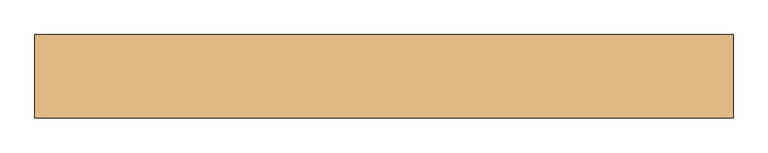
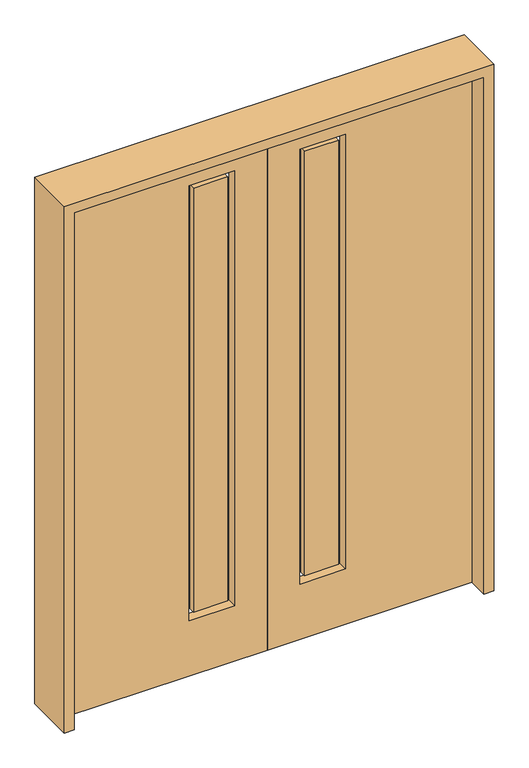
"""IFC4 building model written with IfcOpenShell, lengths in millimetres: door geometry."""

from ifc_helpers import new_model, si_unit, frame, origin, place, context, project, spatial, polyline, outline, extrude, source, transform, mapped, element, save


def door_2ea61fe3(model_context):
    return source(origin(), model_context, "Body", "SweptSolid", [
        extrude(outline(polyline([(-323.85, -12.7039749), (-323.85, 14.2875), (-171.45, 14.2875), (-171.45, -12.7039749), (-323.85, -12.7039749)])), frame((0.0, 0.0, 285.75), z_axis=(0.0, 0.0, 1.0), x_axis=(1.0, 0.0, 0.0)), (0.0, 0.0, 1.0), 2000.25),
        extrude(outline(polyline([(2438.4, 0.0), (2438.4, -914.4), (0.0, -914.4), (0.0, 0.0), (2438.4, 0.0)]), holes=[polyline([(2311.4, -349.25), (2311.4, -146.05), (260.35, -146.05), (260.35, -349.25), (2311.4, -349.25)])]), frame((0.0, -22.225, 0.0), z_axis=(0.0, 1.0, 0.0), x_axis=(0.0, 0.0, 1.0)), (0.0, 0.0, 1.0), 44.45),
        extrude(outline(polyline([(323.85, -12.7039749), (171.45, -12.7039749), (171.45, 14.2875), (323.85, 14.2875), (323.85, -12.7039749)])), frame((0.0, 0.0, 285.75), z_axis=(0.0, 0.0, 1.0), x_axis=(1.0, 0.0, 0.0)), (0.0, 0.0, 1.0), 2000.25),
        extrude(outline(polyline([(2438.4, 0.0), (0.0, 0.0), (0.0, 914.4), (2438.4, 914.4), (2438.4, 0.0)]), holes=[polyline([(2311.4, 349.25), (260.35, 349.25), (260.35, 146.05), (2311.4, 146.05), (2311.4, 349.25)])]), frame((0.0, -22.225, 0.0), z_axis=(0.0, 1.0, 0.0), x_axis=(0.0, 0.0, 1.0)), (0.0, 0.0, 1.0), 44.45),
        extrude(outline(polyline([(0.0, 914.4), (0.0, 958.85), (2482.85, 958.85), (2482.85, -958.85), (0.0, -958.85), (0.0, -914.4), (2438.4, -914.4), (2438.4, 914.4), (0.0, 914.4)])), frame((0.0, -114.3, 0.0), z_axis=(0.0, 1.0, 0.0), x_axis=(0.0, 0.0, 1.0)), (0.0, 0.0, 1.0), 228.6),
    ])


if __name__ == "__main__":
    model = new_model("IFC4")
    model_context = context("Model", 3, world=origin())
    ifc_project = project(units=[si_unit("LENGTHUNIT", "METRE", prefix="MILLI")], contexts=[model_context])
    site = spatial("IfcSite", under=ifc_project)
    building = spatial("IfcBuilding", under=site)
    placement = place(None, origin())
    door_shape = door_2ea61fe3(model_context)
    element("IfcDoor", 1, at=placement, inside=building, context=model_context, shape_type="MappedRepresentation", body=[
        mapped(door_shape, transform((0.0, 0.0, 0.0), x_axis=(1.0, 0.0, 0.0), y_axis=(0.0, 1.0, 0.0), z_axis=(0.0, 0.0, 1.0))),
    ])
    save(model, "model.ifc")
